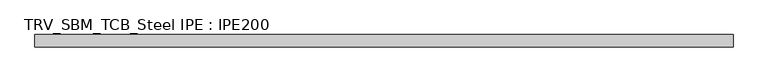
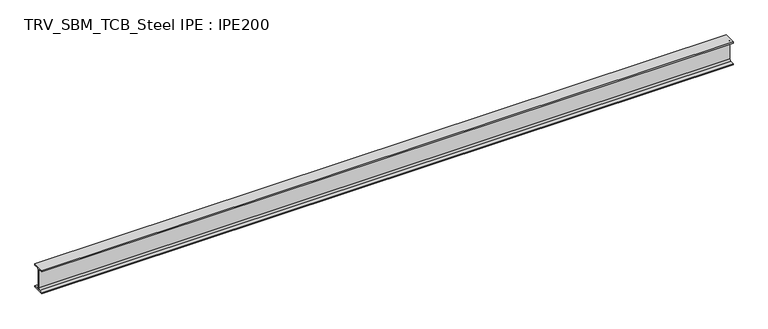
"""IFC4 building model written with IfcOpenShell, lengths in millimetres: beam geometry, TRV_SBM_TCB_Steel IPE : IPE200."""

from ifc_helpers import new_model, si_unit, point, frame, frame_2d, origin, place, context, project, spatial, polyline, circle_curve, trimmed, segment, composite_curve, outline, extrude, source, transform, mapped, element, save


def trv_sbm_tcb_steel_ipe_ipe200_fd9d0f07(model_context):
    return source(origin(), model_context, "Body", "SweptSolid", [
        extrude(outline(composite_curve([segment(polyline([(50.0, -89.3), (50.0, -100.0), (-50.0, -100.0), (-50.0, -89.3), (-18.55, -89.3)]), True, "CONTINUOUS"), segment(trimmed(circle_curve(frame_2d((-18.55, -74.3)), 15.0), [point((-18.55, -89.3))], [point((-3.55, -74.3))], True, "CARTESIAN"), True, "CONTINUOUS"), segment(polyline([(-3.55, -74.3), (-3.55, 74.3)]), True, "CONTINUOUS"), segment(trimmed(circle_curve(frame_2d((-18.55, 74.3)), 15.0), [point((-3.55, 74.3))], [point((-18.55, 89.3))], True, "CARTESIAN"), True, "CONTINUOUS"), segment(polyline([(-18.55, 89.3), (-50.0, 89.3), (-50.0, 100.0), (50.0, 100.0), (50.0, 89.3), (18.55, 89.3)]), True, "CONTINUOUS"), segment(trimmed(circle_curve(frame_2d((18.55, 74.3)), 15.0), [point((18.55, 89.3))], [point((3.55, 74.3))], True, "CARTESIAN"), True, "CONTINUOUS"), segment(polyline([(3.55, 74.3), (3.55, -74.3)]), True, "CONTINUOUS"), segment(trimmed(circle_curve(frame_2d((18.55, -74.3)), 15.0), [point((3.55, -74.3))], [point((18.55, -89.3))], True, "CARTESIAN"), True, "CONTINUOUS"), segment(polyline([(18.55, -89.3), (50.0, -89.3)]), True, "CONTINUOUS")], self_intersect=False)), frame((-2834.5, 0.0, 0.0), z_axis=(1.0, 0.0, 0.0), x_axis=(0.0, 1.0, 0.0)), (0.0, 0.0, 1.0), 5689.0),
    ])


if __name__ == "__main__":
    model = new_model("IFC4")
    model_context = context("Model", 3, world=origin())
    ifc_project = project(units=[si_unit("LENGTHUNIT", "METRE", prefix="MILLI")], contexts=[model_context])
    site = spatial("IfcSite", under=ifc_project)
    building = spatial("IfcBuilding", under=site)
    placement = place(None, origin())
    trv_sbm_tcb_steel_ipe_ipe200_shape = trv_sbm_tcb_steel_ipe_ipe200_fd9d0f07(model_context)
    element("IfcBeam", 1, ObjectType="TRV_SBM_TCB_Steel IPE : IPE200", at=placement, inside=building, context=model_context, shape_type="MappedRepresentation", body=[
        mapped(trv_sbm_tcb_steel_ipe_ipe200_shape, transform((0.0, 0.0, 0.0), x_axis=(1.0, 0.0, 0.0), y_axis=(0.0, 1.0, 0.0), z_axis=(0.0, 0.0, 1.0))),
    ])
    save(model, "model.ifc")
